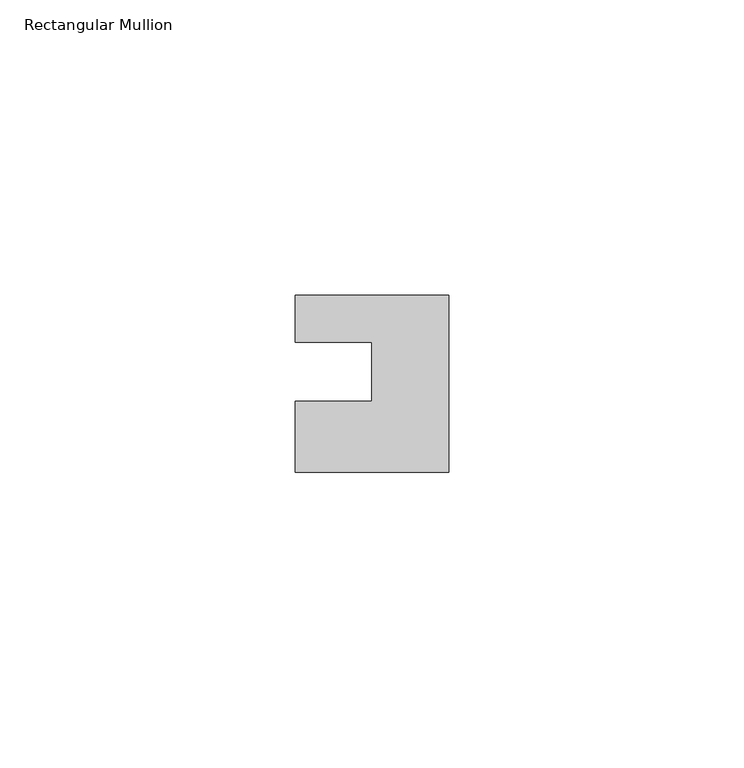
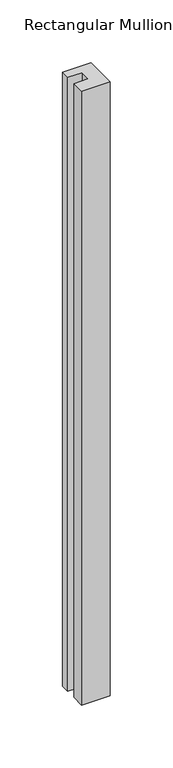
"""IFC4 building model written with IfcOpenShell, lengths in millimetres: member geometry, Rectangular Mullion."""

import ifcopenshell
import ifcopenshell.guid

model = None  # the IFC model being written
_history = None  # IfcOwnerHistory: only IFC2X3 demands one
_inside = {}  # id of a spatial element -> (the spatial element, [elements in it])
_under = {}  # id of a project, library or spatial element -> (it, [spatial elements below it])
_declared = {}  # id of a project -> (the project, [libraries it declares])
_typed = {}  # id of a type object -> (the type object, [elements of that type])
_made_of = {}  # id of a material, layer set ... -> (it, [elements and type objects made of it])


def new_model(schema):
    """Start an empty IFC model of exactly this schema.

    Asked for "IFC4X3", IfcOpenShell would pick the latest addendum, in which some entities
    have other attributes; the version numbers below select the first issue.
    IFC2X3 requires an IfcOwnerHistory on every rooted entity: one is made here for all.
    """
    global model, _history
    if schema == "IFC4X3":
        model = ifcopenshell.file(schema_version=(4, 3, 0, 0))
    else:
        model = ifcopenshell.file(schema=schema)
    _inside.clear()
    _under.clear()
    _declared.clear()
    _typed.clear()
    _made_of.clear()
    _history = None
    if model.schema == "IFC2X3":
        org = make("IfcOrganization", Name="unknown")
        user = make(
            "IfcPersonAndOrganization",
            ThePerson=make("IfcPerson", FamilyName="unknown"),
            TheOrganization=org,
        )
        app = make(
            "IfcApplication",
            ApplicationDeveloper=org,
            Version="unknown",
            ApplicationFullName="unknown",
            ApplicationIdentifier="unknown",
        )
        _history = make(
            "IfcOwnerHistory",
            OwningUser=user,
            OwningApplication=app,
            ChangeAction="ADDED",
            CreationDate=0,
        )
    return model


def make(cls, **values):
    """One entity of the class cls with the attributes given. An attribute that is None is left unset."""
    return model.create_entity(
        cls, **{name: value for name, value in values.items() if value is not None}
    )


def rooted(cls, **values):
    """An entity with a GlobalId (a new one), such as an element, a storey or a relation."""
    return make(cls, GlobalId=ifcopenshell.guid.new(), OwnerHistory=_history, **values)


def si_unit(unit_type, name, prefix=None):
    """IfcSIUnit, for example si_unit("LENGTHUNIT", "METRE", prefix="MILLI")."""
    return make("IfcSIUnit", UnitType=unit_type, Prefix=prefix, Name=name)


def assignment(units):
    """IfcUnitAssignment: the units of a project."""
    return None if units is None else make("IfcUnitAssignment", Units=units)


def point(xyz):
    """IfcCartesianPoint."""
    return None if xyz is None else make("IfcCartesianPoint", Coordinates=xyz)


def direction(xyz):
    """IfcDirection."""
    return None if xyz is None else make("IfcDirection", DirectionRatios=xyz)


def frame(location, z_axis=None, x_axis=None):
    """IfcAxis2Placement3D, a coordinate frame: its origin and axes. An axis left out is left unset."""
    return make(
        "IfcAxis2Placement3D",
        Location=point(location),
        Axis=direction(z_axis),
        RefDirection=direction(x_axis),
    )


def origin():
    """The frame at (0, 0, 0) with its axes left unset."""
    return frame((0.0, 0.0, 0.0))


def place(relative_to, where):
    """IfcLocalPlacement: puts the frame where relative to a parent placement (None: the world)."""
    return make(
        "IfcLocalPlacement", PlacementRelTo=relative_to, RelativePlacement=where
    )


def context(
    kind, dimensions, precision=None, world=None, true_north=None, identifier=None
):
    """IfcGeometricRepresentationContext, for example the 3D "Model" context."""
    return make(
        "IfcGeometricRepresentationContext",
        ContextIdentifier=identifier,
        ContextType=kind,
        CoordinateSpaceDimension=dimensions,
        Precision=precision,
        WorldCoordinateSystem=world,
        TrueNorth=true_north,
    )


def project(units=None, contexts=None):
    """IfcProject with its units and contexts."""
    return rooted(
        "IfcProject",
        Name="project",
        RepresentationContexts=contexts,
        UnitsInContext=assignment(units),
    )


def spatial(cls, under=None, at=None, **own):
    """A site, building, storey or space (cls), placed at a placement, below another one or the project."""
    s = rooted(cls, ObjectPlacement=at, **own)
    if under is not None:
        _under.setdefault(under.id(), (under, []))[1].append(s)
    return s


def polyline(points):
    """IfcPolyline through the points."""
    return make("IfcPolyline", Points=[point(p) for p in points])


def outline(outer, holes=None, kind="AREA"):
    """IfcArbitraryClosedProfileDef: a profile drawn as a closed curve; with holes, ...WithVoids."""
    if holes is None:
        return make("IfcArbitraryClosedProfileDef", ProfileType=kind, OuterCurve=outer)
    return make(
        "IfcArbitraryProfileDefWithVoids",
        ProfileType=kind,
        OuterCurve=outer,
        InnerCurves=holes,
    )


def extrude(swept, where, along, depth):
    """IfcExtrudedAreaSolid: the profile swept, set in the frame where, extruded along a direction by depth."""
    return make(
        "IfcExtrudedAreaSolid",
        SweptArea=swept,
        Position=where,
        ExtrudedDirection=direction(along),
        Depth=depth,
    )


def shape(context_of_items, identifier, shape_type, items):
    """IfcShapeRepresentation: the items that make up one representation, for example the "Body"."""
    return make(
        "IfcShapeRepresentation",
        ContextOfItems=context_of_items,
        RepresentationIdentifier=identifier,
        RepresentationType=shape_type,
        Items=items,
    )


def source(mapping_origin, context_of_items, identifier, shape_type, items):
    """IfcRepresentationMap: a shape defined once, which mapped items show again and again."""
    return make(
        "IfcRepresentationMap",
        MappingOrigin=mapping_origin,
        MappedRepresentation=shape(context_of_items, identifier, shape_type, items),
    )


def transform(
    local_origin,
    x_axis=None,
    y_axis=None,
    z_axis=None,
    scale=None,
    scale2=None,
    scale3=None,
    uniform=True,
):
    """IfcCartesianTransformationOperator3D, or its non-uniform kind. x_axis, y_axis, z_axis: its Axis1, 2, 3."""
    if uniform:
        return make(
            "IfcCartesianTransformationOperator3D",
            Axis1=direction(x_axis),
            Axis2=direction(y_axis),
            LocalOrigin=point(local_origin),
            Scale=scale,
            Axis3=direction(z_axis),
        )
    return make(
        "IfcCartesianTransformationOperator3DnonUniform",
        Axis1=direction(x_axis),
        Axis2=direction(y_axis),
        LocalOrigin=point(local_origin),
        Scale=scale,
        Axis3=direction(z_axis),
        Scale2=scale2,
        Scale3=scale3,
    )


def mapped(mapping_source, mapping_target):
    """IfcMappedItem: shows the shape of a source again, moved by a transform."""
    return make(
        "IfcMappedItem", MappingSource=mapping_source, MappingTarget=mapping_target
    )


def made_of(thing, what):
    """Note that an element or type object is made of a material, layer set ...; save() writes the relation."""
    if what is not None:
        _made_of.setdefault(what.id(), (what, []))[1].append(thing)
    return thing


def element(
    cls,
    number,
    at=None,
    inside=None,
    cuts=None,
    type_object=None,
    material=None,
    context=None,
    identifier="Body",
    shape_type=None,
    held_by="IfcProductDefinitionShape",
    body=None,
    shapes=None,
    **own,
):
    """One element of the class cls, such as IfcWall. Its Tag is "e" and its number.

    at: its placement. inside: the storey or other place that contains it. cuts: it is an
    opening in that element (IfcRelVoidsElement). A single representation is given by context,
    identifier, shape_type and body (its items); several are given by shapes. held_by: the class
    of the entity that holds the representations. save() writes the other relations.
    """
    e = rooted(cls, Tag="e%d" % number, ObjectPlacement=at, **own)
    if body is not None:
        shapes = [shape(context, identifier, shape_type, body)]
    if shapes is not None:
        e.Representation = make(held_by, Representations=shapes)
    if inside is not None:
        _inside.setdefault(inside.id(), (inside, []))[1].append(e)
    if cuts is not None:
        rooted(
            "IfcRelVoidsElement", RelatingBuildingElement=cuts, RelatedOpeningElement=e
        )
    if type_object is not None:
        _typed.setdefault(type_object.id(), (type_object, []))[1].append(e)
    return made_of(e, material)


def aggregate(whole, parts):
    """IfcRelAggregates: a whole, such as a stair, and the parts it consists of."""
    return rooted("IfcRelAggregates", RelatingObject=whole, RelatedObjects=parts)


def save(model, path):
    """Write the relations noted so far, then the file.

    IfcRelAggregates (storeys below a building ...), IfcRelContainedInSpatialStructure (elements
    in a storey), IfcRelDefinesByType, IfcRelAssociatesMaterial and IfcRelDeclares: one each for
    every whole, place, type object, material and project.
    """
    for whole, parts in _under.values():
        aggregate(whole, parts)
    for where, things in _inside.values():
        rooted(
            "IfcRelContainedInSpatialStructure",
            RelatedElements=things,
            RelatingStructure=where,
        )
    for kind, things in _typed.values():
        rooted("IfcRelDefinesByType", RelatedObjects=things, RelatingType=kind)
    for what, things in _made_of.values():
        rooted("IfcRelAssociatesMaterial", RelatedObjects=things, RelatingMaterial=what)
    for by, libraries in _declared.values():
        rooted("IfcRelDeclares", RelatingContext=by, RelatedDefinitions=libraries)
    model.write(path)


def rectangular_mullion_75a83862(model_context):
    return source(origin(), model_context, "Body", "SweptSolid", [
        extrude(outline(polyline([(-26.0, 0.001), (-26.0, 7.94), (0.0, 7.94), (0.0, -22.06), (-26.0, -22.06), (-26.0, -10.0), (-13.0, -10.0), (-13.0, 0.001), (-26.0, 0.001)])), frame((0.0, 0.0, -594.8963605), z_axis=(0.0, 0.0, 1.0), x_axis=(1.0, 0.0, 0.0)), (0.0, 0.0, 1.0), 594.8963605),
    ])


if __name__ == "__main__":
    model = new_model("IFC4")
    model_context = context("Model", 3, world=origin())
    ifc_project = project(units=[si_unit("LENGTHUNIT", "METRE", prefix="MILLI")], contexts=[model_context])
    site = spatial("IfcSite", under=ifc_project)
    building = spatial("IfcBuilding", under=site)
    placement = place(None, origin())
    rectangular_mullion_shape = rectangular_mullion_75a83862(model_context)
    element("IfcMember", 1, ObjectType="Rectangular Mullion", at=placement, inside=building, context=model_context, shape_type="MappedRepresentation", body=[
        mapped(rectangular_mullion_shape, transform((0.0, 0.0, 0.0), x_axis=(1.0, 0.0, 0.0), y_axis=(0.0, 1.0, 0.0), z_axis=(0.0, 0.0, 1.0))),
    ])
    save(model, "model.ifc")
